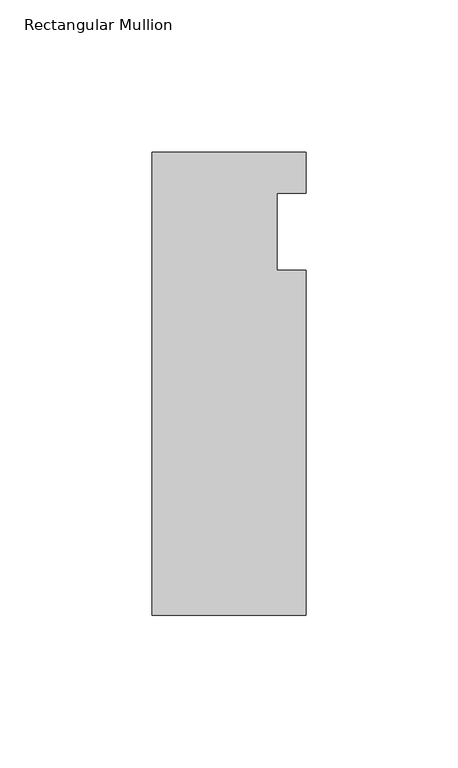
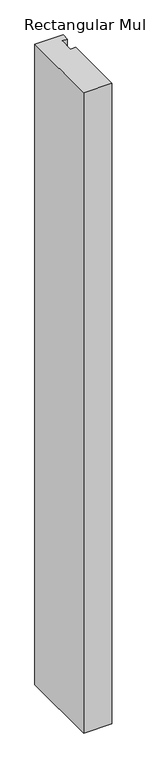
"""IFC4 building model written with IfcOpenShell, lengths in millimetres: member geometry, Rectangular Mullion."""

from ifc_helpers import new_model, si_unit, frame, origin, place, context, project, spatial, polyline, outline, extrude, source, transform, mapped, element, save


def rectangular_mullion_0f411671(model_context):
    return source(origin(), model_context, "Body", "SweptSolid", [
        extrude(outline(polyline([(-25.4, 26.19375), (25.4, 26.19375), (25.4, 12.7), (15.875, 12.7), (15.875, -12.7), (25.4, -12.7), (25.4, -126.20625), (-25.4, -126.20625), (-25.4, 26.19375)])), frame((0.0, 0.0, -1219.2), z_axis=(0.0, 0.0, 1.0), x_axis=(1.0, 0.0, 0.0)), (0.0, 0.0, 1.0), 1219.2),
    ])


if __name__ == "__main__":
    model = new_model("IFC4")
    model_context = context("Model", 3, world=origin())
    ifc_project = project(units=[si_unit("LENGTHUNIT", "METRE", prefix="MILLI")], contexts=[model_context])
    site = spatial("IfcSite", under=ifc_project)
    building = spatial("IfcBuilding", under=site)
    placement = place(None, origin())
    rectangular_mullion_shape = rectangular_mullion_0f411671(model_context)
    element("IfcMember", 1, ObjectType="Rectangular Mullion", at=placement, inside=building, context=model_context, shape_type="MappedRepresentation", body=[
        mapped(rectangular_mullion_shape, transform((0.0, 0.0, 0.0), x_axis=(1.0, 0.0, 0.0), y_axis=(0.0, 1.0, 0.0), z_axis=(0.0, 0.0, 1.0))),
    ])
    save(model, "model.ifc")
